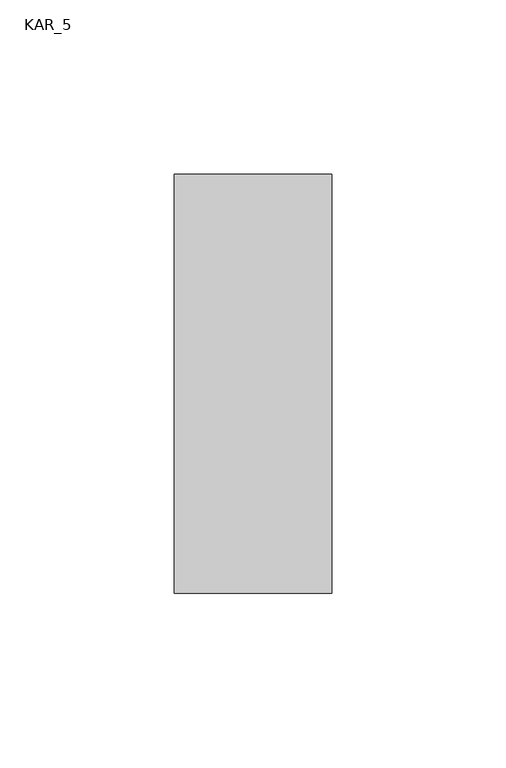
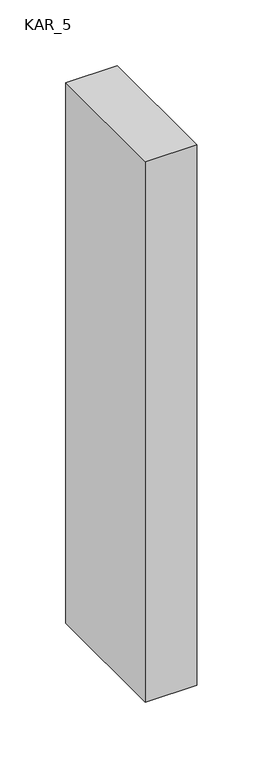
"""IFC4 building model written with IfcOpenShell, lengths in millimetres: proxy geometry, KAR_5."""

from ifc_helpers import new_model, si_unit, frame, origin, place, context, project, spatial, polyline, outline, extrude, source, transform, mapped, element, save


def kar_5_539ec22f(model_context):
    return source(origin(), model_context, "Body", "SweptSolid", [
        extrude(outline(polyline([(45.0, 120.0), (45.0, 0.0), (0.0, 0.0), (0.0, 120.0), (45.0, 120.0)])), frame((0.0, 0.0, 1600.0), z_axis=(0.0, 0.0, 1.0), x_axis=(1.0, 0.0, 0.0)), (0.0, 0.0, 1.0), 500.0),
    ])


if __name__ == "__main__":
    model = new_model("IFC4")
    model_context = context("Model", 3, world=origin())
    ifc_project = project(units=[si_unit("LENGTHUNIT", "METRE", prefix="MILLI")], contexts=[model_context])
    site = spatial("IfcSite", under=ifc_project)
    building = spatial("IfcBuilding", under=site)
    placement = place(None, origin())
    kar_5_shape = kar_5_539ec22f(model_context)
    element("IfcBuildingElementProxy", 1, Name="KAR_5", ObjectType="KAR_5", at=placement, inside=building, context=model_context, shape_type="MappedRepresentation", body=[
        mapped(kar_5_shape, transform((0.0, 0.0, 0.0), x_axis=(1.0, 0.0, 0.0), y_axis=(0.0, 1.0, 0.0), z_axis=(0.0, 0.0, 1.0))),
    ])
    save(model, "model.ifc")
